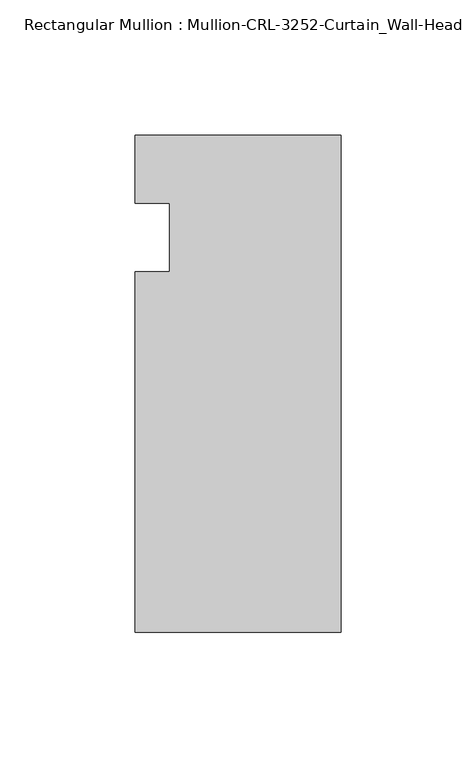
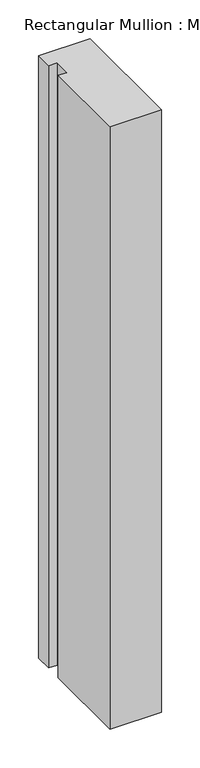
"""IFC4 building model written with IfcOpenShell, lengths in millimetres: member geometry, Rectangular Mullion : Mullion-CRL-3252-Curtain_Wall-Head."""

from ifc_helpers import new_model, si_unit, frame, origin, place, context, project, spatial, polyline, outline, extrude, source, transform, mapped, element, save


def rectangular_mullion_mullion_crl_3252_curtain_wall_head_8fcdd792(model_context):
    return source(origin(), model_context, "Body", "SweptSolid", [
        extrude(outline(polyline([(0.0, -146.0054758), (-76.1947014, -146.0054758), (-76.1947014, -12.7), (-63.5026672, -12.7), (-63.5026672, 12.7), (-76.1947014, 12.7), (-76.1947014, 37.87102), (0.0, 37.87102), (0.0, -146.0054758)])), frame((0.0, 0.0, -946.3424921), z_axis=(0.0, 0.0, 1.0), x_axis=(1.0, 0.0, 0.0)), (0.0, 0.0, 1.0), 946.3424921),
    ])


if __name__ == "__main__":
    model = new_model("IFC4")
    model_context = context("Model", 3, world=origin())
    ifc_project = project(units=[si_unit("LENGTHUNIT", "METRE", prefix="MILLI")], contexts=[model_context])
    site = spatial("IfcSite", under=ifc_project)
    building = spatial("IfcBuilding", under=site)
    placement = place(None, origin())
    rectangular_mullion_mullion_crl_3252_curtain_wall_head_shape = rectangular_mullion_mullion_crl_3252_curtain_wall_head_8fcdd792(model_context)
    element("IfcMember", 1, ObjectType="Rectangular Mullion : Mullion-CRL-3252-Curtain_Wall-Head", at=placement, inside=building, context=model_context, shape_type="MappedRepresentation", body=[
        mapped(rectangular_mullion_mullion_crl_3252_curtain_wall_head_shape, transform((0.0, 0.0, 0.0), x_axis=(1.0, 0.0, 0.0), y_axis=(0.0, 1.0, 0.0), z_axis=(0.0, 0.0, 1.0))),
    ])
    save(model, "model.ifc")
